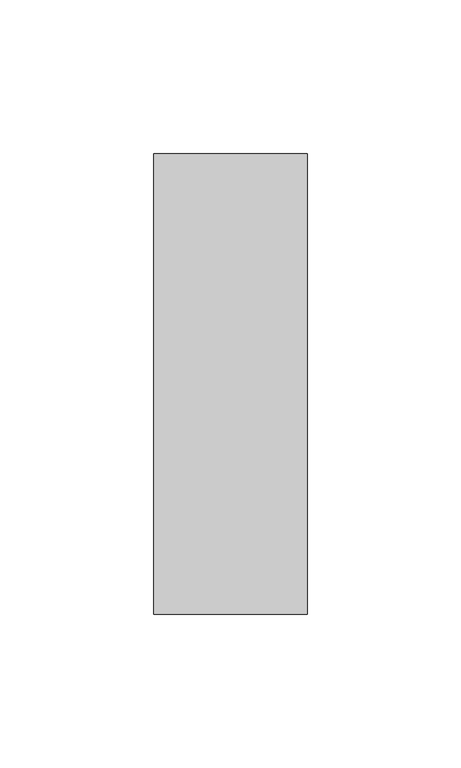
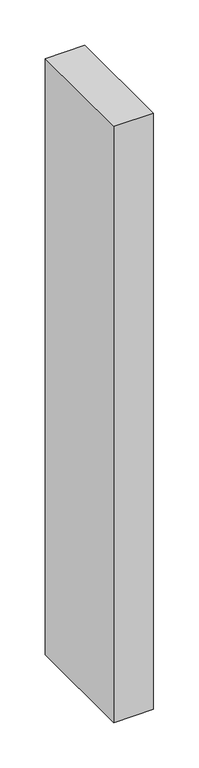
"""IFC4 building model written with IfcOpenShell, lengths in millimetres: member geometry."""

import ifcopenshell
import ifcopenshell.guid

model = None  # the IFC model being written
_history = None  # IfcOwnerHistory: only IFC2X3 demands one
_inside = {}  # id of a spatial element -> (the spatial element, [elements in it])
_under = {}  # id of a project, library or spatial element -> (it, [spatial elements below it])
_declared = {}  # id of a project -> (the project, [libraries it declares])
_typed = {}  # id of a type object -> (the type object, [elements of that type])
_made_of = {}  # id of a material, layer set ... -> (it, [elements and type objects made of it])


def new_model(schema):
    """Start an empty IFC model of exactly this schema.

    Asked for "IFC4X3", IfcOpenShell would pick the latest addendum, in which some entities
    have other attributes; the version numbers below select the first issue.
    IFC2X3 requires an IfcOwnerHistory on every rooted entity: one is made here for all.
    """
    global model, _history
    if schema == "IFC4X3":
        model = ifcopenshell.file(schema_version=(4, 3, 0, 0))
    else:
        model = ifcopenshell.file(schema=schema)
    _inside.clear()
    _under.clear()
    _declared.clear()
    _typed.clear()
    _made_of.clear()
    _history = None
    if model.schema == "IFC2X3":
        org = make("IfcOrganization", Name="unknown")
        user = make(
            "IfcPersonAndOrganization",
            ThePerson=make("IfcPerson", FamilyName="unknown"),
            TheOrganization=org,
        )
        app = make(
            "IfcApplication",
            ApplicationDeveloper=org,
            Version="unknown",
            ApplicationFullName="unknown",
            ApplicationIdentifier="unknown",
        )
        _history = make(
            "IfcOwnerHistory",
            OwningUser=user,
            OwningApplication=app,
            ChangeAction="ADDED",
            CreationDate=0,
        )
    return model


def make(cls, **values):
    """One entity of the class cls with the attributes given. An attribute that is None is left unset."""
    return model.create_entity(
        cls, **{name: value for name, value in values.items() if value is not None}
    )


def rooted(cls, **values):
    """An entity with a GlobalId (a new one), such as an element, a storey or a relation."""
    return make(cls, GlobalId=ifcopenshell.guid.new(), OwnerHistory=_history, **values)


def si_unit(unit_type, name, prefix=None):
    """IfcSIUnit, for example si_unit("LENGTHUNIT", "METRE", prefix="MILLI")."""
    return make("IfcSIUnit", UnitType=unit_type, Prefix=prefix, Name=name)


def assignment(units):
    """IfcUnitAssignment: the units of a project."""
    return None if units is None else make("IfcUnitAssignment", Units=units)


def point(xyz):
    """IfcCartesianPoint."""
    return None if xyz is None else make("IfcCartesianPoint", Coordinates=xyz)


def direction(xyz):
    """IfcDirection."""
    return None if xyz is None else make("IfcDirection", DirectionRatios=xyz)


def frame(location, z_axis=None, x_axis=None):
    """IfcAxis2Placement3D, a coordinate frame: its origin and axes. An axis left out is left unset."""
    return make(
        "IfcAxis2Placement3D",
        Location=point(location),
        Axis=direction(z_axis),
        RefDirection=direction(x_axis),
    )


def origin():
    """The frame at (0, 0, 0) with its axes left unset."""
    return frame((0.0, 0.0, 0.0))


def place(relative_to, where):
    """IfcLocalPlacement: puts the frame where relative to a parent placement (None: the world)."""
    return make(
        "IfcLocalPlacement", PlacementRelTo=relative_to, RelativePlacement=where
    )


def context(
    kind, dimensions, precision=None, world=None, true_north=None, identifier=None
):
    """IfcGeometricRepresentationContext, for example the 3D "Model" context."""
    return make(
        "IfcGeometricRepresentationContext",
        ContextIdentifier=identifier,
        ContextType=kind,
        CoordinateSpaceDimension=dimensions,
        Precision=precision,
        WorldCoordinateSystem=world,
        TrueNorth=true_north,
    )


def project(units=None, contexts=None):
    """IfcProject with its units and contexts."""
    return rooted(
        "IfcProject",
        Name="project",
        RepresentationContexts=contexts,
        UnitsInContext=assignment(units),
    )


def spatial(cls, under=None, at=None, **own):
    """A site, building, storey or space (cls), placed at a placement, below another one or the project."""
    s = rooted(cls, ObjectPlacement=at, **own)
    if under is not None:
        _under.setdefault(under.id(), (under, []))[1].append(s)
    return s


def polyline(points):
    """IfcPolyline through the points."""
    return make("IfcPolyline", Points=[point(p) for p in points])


def outline(outer, holes=None, kind="AREA"):
    """IfcArbitraryClosedProfileDef: a profile drawn as a closed curve; with holes, ...WithVoids."""
    if holes is None:
        return make("IfcArbitraryClosedProfileDef", ProfileType=kind, OuterCurve=outer)
    return make(
        "IfcArbitraryProfileDefWithVoids",
        ProfileType=kind,
        OuterCurve=outer,
        InnerCurves=holes,
    )


def extrude(swept, where, along, depth):
    """IfcExtrudedAreaSolid: the profile swept, set in the frame where, extruded along a direction by depth."""
    return make(
        "IfcExtrudedAreaSolid",
        SweptArea=swept,
        Position=where,
        ExtrudedDirection=direction(along),
        Depth=depth,
    )


def shape(context_of_items, identifier, shape_type, items):
    """IfcShapeRepresentation: the items that make up one representation, for example the "Body"."""
    return make(
        "IfcShapeRepresentation",
        ContextOfItems=context_of_items,
        RepresentationIdentifier=identifier,
        RepresentationType=shape_type,
        Items=items,
    )


def source(mapping_origin, context_of_items, identifier, shape_type, items):
    """IfcRepresentationMap: a shape defined once, which mapped items show again and again."""
    return make(
        "IfcRepresentationMap",
        MappingOrigin=mapping_origin,
        MappedRepresentation=shape(context_of_items, identifier, shape_type, items),
    )


def transform(
    local_origin,
    x_axis=None,
    y_axis=None,
    z_axis=None,
    scale=None,
    scale2=None,
    scale3=None,
    uniform=True,
):
    """IfcCartesianTransformationOperator3D, or its non-uniform kind. x_axis, y_axis, z_axis: its Axis1, 2, 3."""
    if uniform:
        return make(
            "IfcCartesianTransformationOperator3D",
            Axis1=direction(x_axis),
            Axis2=direction(y_axis),
            LocalOrigin=point(local_origin),
            Scale=scale,
            Axis3=direction(z_axis),
        )
    return make(
        "IfcCartesianTransformationOperator3DnonUniform",
        Axis1=direction(x_axis),
        Axis2=direction(y_axis),
        LocalOrigin=point(local_origin),
        Scale=scale,
        Axis3=direction(z_axis),
        Scale2=scale2,
        Scale3=scale3,
    )


def mapped(mapping_source, mapping_target):
    """IfcMappedItem: shows the shape of a source again, moved by a transform."""
    return make(
        "IfcMappedItem", MappingSource=mapping_source, MappingTarget=mapping_target
    )


def made_of(thing, what):
    """Note that an element or type object is made of a material, layer set ...; save() writes the relation."""
    if what is not None:
        _made_of.setdefault(what.id(), (what, []))[1].append(thing)
    return thing


def element(
    cls,
    number,
    at=None,
    inside=None,
    cuts=None,
    type_object=None,
    material=None,
    context=None,
    identifier="Body",
    shape_type=None,
    held_by="IfcProductDefinitionShape",
    body=None,
    shapes=None,
    **own,
):
    """One element of the class cls, such as IfcWall. Its Tag is "e" and its number.

    at: its placement. inside: the storey or other place that contains it. cuts: it is an
    opening in that element (IfcRelVoidsElement). A single representation is given by context,
    identifier, shape_type and body (its items); several are given by shapes. held_by: the class
    of the entity that holds the representations. save() writes the other relations.
    """
    e = rooted(cls, Tag="e%d" % number, ObjectPlacement=at, **own)
    if body is not None:
        shapes = [shape(context, identifier, shape_type, body)]
    if shapes is not None:
        e.Representation = make(held_by, Representations=shapes)
    if inside is not None:
        _inside.setdefault(inside.id(), (inside, []))[1].append(e)
    if cuts is not None:
        rooted(
            "IfcRelVoidsElement", RelatingBuildingElement=cuts, RelatedOpeningElement=e
        )
    if type_object is not None:
        _typed.setdefault(type_object.id(), (type_object, []))[1].append(e)
    return made_of(e, material)


def aggregate(whole, parts):
    """IfcRelAggregates: a whole, such as a stair, and the parts it consists of."""
    return rooted("IfcRelAggregates", RelatingObject=whole, RelatedObjects=parts)


def save(model, path):
    """Write the relations noted so far, then the file.

    IfcRelAggregates (storeys below a building ...), IfcRelContainedInSpatialStructure (elements
    in a storey), IfcRelDefinesByType, IfcRelAssociatesMaterial and IfcRelDeclares: one each for
    every whole, place, type object, material and project.
    """
    for whole, parts in _under.values():
        aggregate(whole, parts)
    for where, things in _inside.values():
        rooted(
            "IfcRelContainedInSpatialStructure",
            RelatedElements=things,
            RelatingStructure=where,
        )
    for kind, things in _typed.values():
        rooted("IfcRelDefinesByType", RelatedObjects=things, RelatingType=kind)
    for what, things in _made_of.values():
        rooted("IfcRelAssociatesMaterial", RelatedObjects=things, RelatingMaterial=what)
    for by, libraries in _declared.values():
        rooted("IfcRelDeclares", RelatingContext=by, RelatedDefinitions=libraries)
    model.write(path)


def member_6ffebc0f(model_context):
    return source(origin(), model_context, "Body", "SweptSolid", [
        extrude(outline(polyline([(0.0, 75.0), (0.0, -75.0), (-50.0, -75.0), (-50.0, 75.0), (0.0, 75.0)])), frame((0.0, 0.0, -800.0), z_axis=(0.0, 0.0, 1.0), x_axis=(1.0, 0.0, 0.0)), (0.0, 0.0, 1.0), 800.0),
    ])


if __name__ == "__main__":
    model = new_model("IFC4")
    model_context = context("Model", 3, world=origin())
    ifc_project = project(units=[si_unit("LENGTHUNIT", "METRE", prefix="MILLI")], contexts=[model_context])
    site = spatial("IfcSite", under=ifc_project)
    building = spatial("IfcBuilding", under=site)
    placement = place(None, origin())
    member_shape = member_6ffebc0f(model_context)
    element("IfcMember", 1, at=placement, inside=building, context=model_context, shape_type="MappedRepresentation", body=[
        mapped(member_shape, transform((0.0, 0.0, 0.0), x_axis=(1.0, 0.0, 0.0), y_axis=(0.0, 1.0, 0.0), z_axis=(0.0, 0.0, 1.0))),
    ])
    save(model, "model.ifc")
